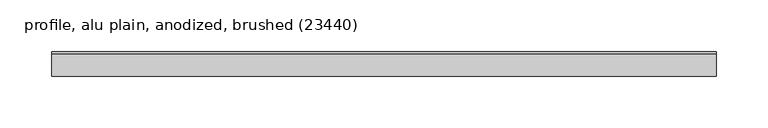
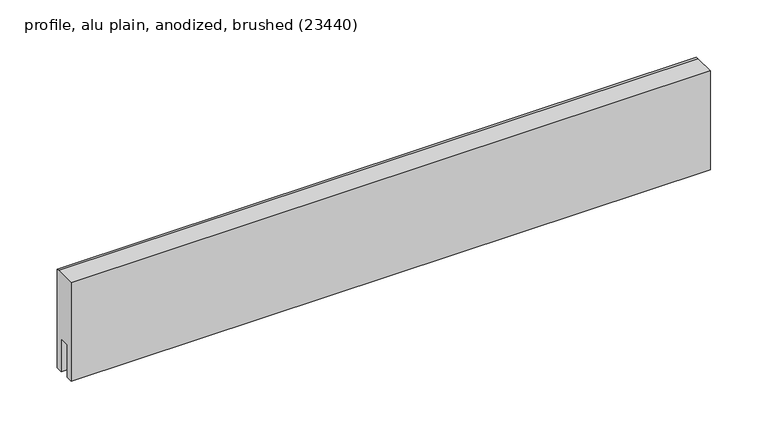
"""IFC4 building model written with IfcOpenShell, lengths in millimetres: proxy geometry, profile, alu plain, anodized, brushed (23440)."""

from ifc_helpers import new_model, si_unit, frame, origin, place, context, project, spatial, polyline, outline, extrude, source, transform, mapped, element, save


def profile_alu_plain_anodized_brushed_23440_c540a124(model_context):
    return source(origin(), model_context, "Body", "SweptSolid", [
        extrude(outline(polyline([(-12.0, 49.0), (9.692747, 49.0), (12.0, 49.0), (12.0, -56.0), (5.0, -56.0), (5.0, -21.0), (-5.0, -21.0), (-5.0, -56.0), (-12.0, -56.0), (-12.0, 49.0)])), frame((-60.0, 0.0, 0.0), z_axis=(1.0, 0.0, 0.0), x_axis=(0.0, 1.0, 0.0)), (0.0, 0.0, 1.0), 644.375),
    ])


if __name__ == "__main__":
    model = new_model("IFC4")
    model_context = context("Model", 3, world=origin())
    ifc_project = project(units=[si_unit("LENGTHUNIT", "METRE", prefix="MILLI")], contexts=[model_context])
    site = spatial("IfcSite", under=ifc_project)
    building = spatial("IfcBuilding", under=site)
    placement = place(None, origin())
    profile_alu_plain_anodized_brushed_23440_shape = profile_alu_plain_anodized_brushed_23440_c540a124(model_context)
    element("IfcBuildingElementProxy", 1, Name="profile, alu plain, anodized, brushed (23440)", ObjectType="profile, alu plain, anodized, brushed (23440)", at=placement, inside=building, context=model_context, shape_type="MappedRepresentation", body=[
        mapped(profile_alu_plain_anodized_brushed_23440_shape, transform((0.0, 0.0, 0.0), x_axis=(1.0, 0.0, 0.0), y_axis=(0.0, 1.0, 0.0), z_axis=(0.0, 0.0, 1.0))),
    ])
    save(model, "model.ifc")
